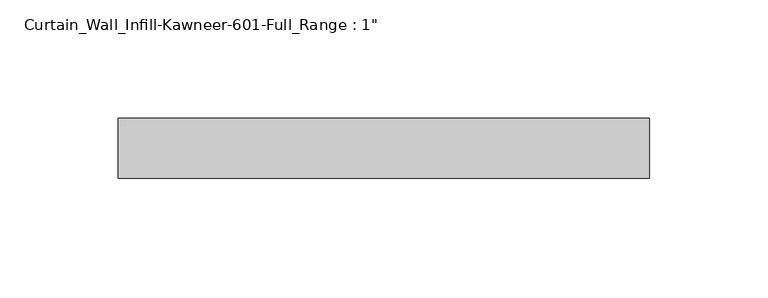
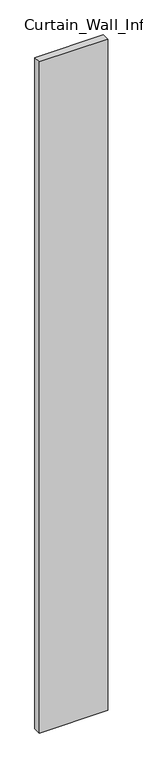
"""IFC4 building model written with IfcOpenShell, lengths in millimetres: plate geometry."""

from ifc_helpers import new_model, si_unit, origin, origin_with_axes, place, context, project, spatial, polyline, outline, extrude, source, transform, mapped, element, save


def plate_2e2800dd(model_context):
    return source(origin(), model_context, "Body", "SweptSolid", [
        extrude(outline(polyline([(-112.239425, 12.7), (112.239425, 12.7), (112.239425, -12.7), (-112.239425, -12.7), (-112.239425, 12.7)])), origin_with_axes(), (0.0, 0.0, 1.0), 2330.45),
    ])


if __name__ == "__main__":
    model = new_model("IFC4")
    model_context = context("Model", 3, world=origin())
    ifc_project = project(units=[si_unit("LENGTHUNIT", "METRE", prefix="MILLI")], contexts=[model_context])
    site = spatial("IfcSite", under=ifc_project)
    building = spatial("IfcBuilding", under=site)
    placement = place(None, origin())
    plate_shape = plate_2e2800dd(model_context)
    element("IfcPlate", 1, ObjectType="Curtain_Wall_Infill-Kawneer-601-Full_Range : 1\"", at=placement, inside=building, context=model_context, shape_type="MappedRepresentation", body=[
        mapped(plate_shape, transform((0.0, 0.0, 0.0), x_axis=(1.0, 0.0, 0.0), y_axis=(0.0, 1.0, 0.0), z_axis=(0.0, 0.0, 1.0))),
    ])
    save(model, "model.ifc")
